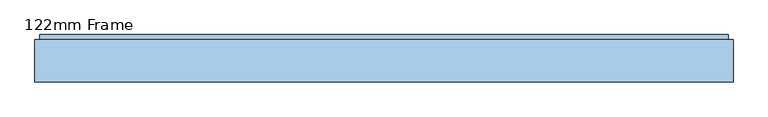
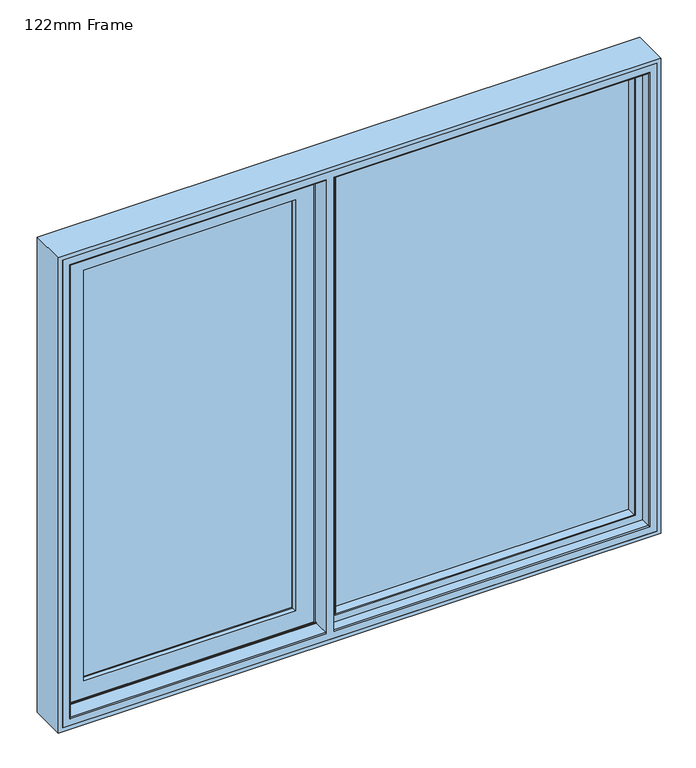
"""IFC4 building model written with IfcOpenShell, lengths in millimetres: window geometry, 122mm Frame."""

from ifc_helpers import new_model, si_unit, frame, origin, place, context, project, spatial, polyline, circle_curve, ellipse_curve, outline, extrude, faceted_brep, source, transform, mapped, element, save
from ifc_brep_helpers import plane_surface, cylinder_surface, advanced_brep


def window_122mm_frame_94d16fe1(model_context):
    return source(origin(), model_context, "Body", "SolidModel", [
        extrude(outline(polyline([(-809.6, 141.0), (-154.0, 141.0), (-154.0, 93.0), (-809.6, 93.0), (-809.6, 141.0)])), frame((0.0, 0.0, 890.0), z_axis=(0.0, 0.0, 1.0), x_axis=(1.0, 0.0, 0.0)), (0.0, 0.0, 1.0), 1319.6),
        faceted_brep([(-131.6001533, 153.0, 2232.3998467), (-131.6001533, 148.4070391, 2232.3998467), (-131.6001533, 148.4070391, 867.6001533), (-131.6001533, 153.0, 867.6001533), (-126.3260611, 139.5531262, 2237.6739389), (-126.3260611, 139.5531262, 862.3260611), (-832.3998467, 148.4070391, 867.6001533), (-832.3998467, 153.0, 867.6001533), (-832.3998467, 153.0, 2232.3998467), (-164.7433832, 153.0, 2199.2566168), (-799.2566168, 153.0, 2199.2566168), (-799.2566168, 153.0, 900.7433832), (-164.7433832, 153.0, 900.7433832), (-124.4866045, 139.5531262, 860.4866045), (-839.5133955, 139.5531262, 860.4866045), (-839.5133955, 139.5531262, 2239.5133955), (-124.4866045, 139.5531262, 2239.5133955), (-837.6739389, 139.5531262, 2237.6739389), (-837.6739389, 139.5531262, 862.3260611), (-124.4866045, 121.0, 2239.5133955), (-124.4866045, 121.0, 860.4866045), (-114.4866045, 121.0, 850.4866045), (-849.5133955, 121.0, 850.4866045), (-849.5133955, 121.0, 2249.5133955), (-114.4866045, 121.0, 2249.5133955), (-839.5133955, 121.0, 2239.5133955), (-839.5133955, 121.0, 860.4866045), (-114.4866045, 88.5, 2249.5133955), (-114.4866045, 88.5, 850.4866045), (-103.7023001, 88.5, 839.7023), (-860.2977, 88.5, 839.7023), (-860.2977, 88.5, 2260.2977), (-103.7023001, 88.5, 2260.2977), (-849.5133955, 88.5, 2249.5133955), (-849.5133955, 88.5, 850.4866045), (-103.7023001, 83.5, 2260.2977), (-103.7023001, 83.5, 839.7023), (-860.2977, 83.5, 2260.2977), (-860.2977, 83.5, 839.7023), (-110.5, 83.5, 846.5), (-853.5, 83.5, 846.5), (-853.5, 83.5, 2253.5), (-110.5, 83.5, 2253.5), (-110.5, 78.0, 2253.5), (-110.5, 78.0, 846.5), (-853.5, 78.0, 2253.5), (-853.5, 78.0, 846.5), (-165.6842184, 78.0, 901.6842184), (-798.3157816, 78.0, 901.6842184), (-798.3157816, 78.0, 2198.3157816), (-165.6842184, 78.0, 2198.3157816), (-167.9996933, 88.8934531, 2196.0003067), (-167.9996933, 88.8934531, 903.9996933), (-167.9996933, 93.0, 2196.0003067), (-167.9996933, 93.0, 903.9996933), (-796.0003067, 88.8934531, 903.9996933), (-154.0, 93.0, 890.0), (-810.0, 93.0, 890.0), (-810.0, 93.0, 2210.0), (-154.0, 93.0, 2210.0), (-796.0003067, 93.0, 2196.0003067), (-796.0003067, 93.0, 903.9996933), (-154.0, 141.0, 2210.0), (-154.0, 141.0, 890.0), (-810.0, 141.0, 2210.0), (-810.0, 141.0, 890.0), (-168.4121514, 141.0, 904.4121514), (-795.5878486, 141.0, 904.4121514), (-795.5878486, 141.0, 2195.5878486), (-168.4121514, 141.0, 2195.5878486), (-832.3998467, 148.4070391, 2232.3998467), (-796.0003067, 88.8934531, 2196.0003067)], [[[0, 1, 2, 3]], [[1, 4, 5, 2]], [[3, 2, 6, 7]], [[3, 7, 8, 0], [9, 10, 11, 12]], [[13, 14, 15, 16], [4, 17, 18, 5]], [[2, 5, 18, 6]], [[16, 19, 20, 13]], [[21, 22, 23, 24], [19, 25, 26, 20]], [[13, 20, 26, 14]], [[24, 27, 28, 21]], [[29, 30, 31, 32], [27, 33, 34, 28]], [[21, 28, 34, 22]], [[32, 35, 36, 29]], [[35, 37, 38, 36], [39, 40, 41, 42]], [[29, 36, 38, 30]], [[42, 43, 44, 39]], [[43, 45, 46, 44], [47, 48, 49, 50]], [[39, 44, 46, 40]], [[50, 51, 52, 47]], [[51, 53, 54, 52]], [[47, 52, 55, 48]], [[56, 57, 58, 59], [53, 60, 61, 54]], [[52, 54, 61, 55]], [[59, 62, 63, 56]], [[62, 64, 65, 63], [66, 67, 68, 69]], [[56, 63, 65, 57]], [[69, 9, 12, 66]], [[66, 12, 11, 67]], [[7, 6, 70, 8]], [[6, 18, 17, 70]], [[14, 26, 25, 15]], [[22, 34, 33, 23]], [[30, 38, 37, 31]], [[40, 46, 45, 41]], [[48, 55, 71, 49]], [[55, 61, 60, 71]], [[57, 65, 64, 58]], [[67, 11, 10, 68]], [[8, 70, 1, 0]], [[70, 17, 4, 1]], [[15, 25, 19, 16]], [[23, 33, 27, 24]], [[31, 37, 35, 32]], [[41, 45, 43, 42]], [[49, 71, 51, 50]], [[71, 60, 53, 51]], [[58, 64, 62, 59]], [[68, 10, 9, 69]]]),
        extrude(outline(polyline([(-63.8, 141.0), (852.6, 141.0), (852.6, 93.0), (-63.8, 93.0), (-63.8, 141.0)])), frame((0.0, 0.0, 847.4), z_axis=(0.0, 0.0, 1.0), x_axis=(1.0, 0.0, 0.0)), (0.0, 0.0, 1.0), 1405.2),
        advanced_brep(
        [(840.9078547, 66.2562613, 2240.9078547), (837.8697056, 91.0, 2237.8697056), (837.8697056, 91.0, 862.1302944), (840.9078547, 66.2562613, 859.0921453), (861.5, 91.0, 838.5), (-73.5, 91.0, 838.5), (-73.5, 91.0, 2261.5), (861.5, 91.0, 2261.5), (-49.8697056, 91.0, 2237.8697056), (-49.8697056, 91.0, 862.1302944), (-52.9078547, 66.2562613, 859.0921453), (842.892947, 64.5, 2242.892947), (842.892947, 64.5, 857.107053), (861.5, 82.0, 2261.5), (861.5, 82.0, 838.5), (864.0, 82.0, 836.0), (-76.0, 82.0, 836.0), (-76.0, 82.0, 2264.0), (864.0, 82.0, 2264.0), (-73.5, 82.0, 2261.5), (-73.5, 82.0, 838.5), (864.0, 64.5, 2264.0), (864.0, 64.5, 836.0), (-76.0, 64.5, 2264.0), (-76.0, 64.5, 836.0), (-54.892947, 64.5, 857.107053), (-54.892947, 64.5, 2242.892947), (-52.9078547, 66.2562613, 2240.9078547)],
        [
            (0, 1),
            (1, 2),
            (2, 3),
            (3, 0),
            (4, 5),
            (5, 6),
            (6, 7),
            (7, 4),
            (1, 8),
            (8, 9),
            (9, 2),
            (9, 10),
            (10, 3),
            (11, 0, ellipse_curve(frame((842.892947, 66.5, 2242.892947), z_axis=(0.7071067811865474, 0.0, -0.7071067811865476), x_axis=(0.7071067811865475, 0.0, 0.7071067811865475)), 2.8284271, 2.0)),
            (3, 12, ellipse_curve(frame((842.892947, 66.5, 857.107053), z_axis=(0.7071067811865476, 0.0, 0.7071067811865475), x_axis=(-0.7071067811865475, 0.0, 0.7071067811865476)), 2.8284271, 2.0)),
            (12, 11),
            (7, 13),
            (13, 14),
            (14, 4),
            (15, 16),
            (16, 17),
            (17, 18),
            (18, 15),
            (13, 19),
            (19, 20),
            (20, 14),
            (20, 5),
            (18, 21),
            (21, 22),
            (22, 15),
            (21, 23),
            (23, 24),
            (24, 22),
            (12, 25),
            (25, 26),
            (26, 11),
            (24, 16),
            (10, 25, ellipse_curve(frame((-54.892947, 66.5, 857.107053), z_axis=(0.7071067811865475, 0.0, -0.7071067811865476), x_axis=(0.7071067811865476, 0.0, 0.7071067811865475)), 2.8284271, 2.0)),
            (8, 27),
            (27, 10),
            (19, 6),
            (23, 17),
            (27, 26, ellipse_curve(frame((-54.892947, 66.5, 2242.892947), z_axis=(-0.7071067811865476, 0.0, -0.7071067811865474), x_axis=(0.7071067811865474, 0.0, -0.7071067811865476)), 2.8284271, 2.0)),
            (0, 27),
        ],
        [
            plane_surface(frame((837.8697056, 91.0, 2237.8697056), z_axis=(-0.9925461516413222, -0.12186934340514619, 0.0), x_axis=(0.0, 0.0, -1.0))),
            plane_surface(frame((-73.5, 91.0, 2261.5), z_axis=(0.0, 1.0, 0.0), x_axis=(1.0, 0.0, 0.0))),
            plane_surface(frame((837.8697056, 91.0, 862.1302944), z_axis=(0.0, -0.12186934340514619, 0.9925461516413222), x_axis=(-1.0, 0.0, 0.0))),
            cylinder_surface(frame((842.892947, 66.5, 2237.6), z_axis=(0.0, 0.0, 1.0), x_axis=(0.0, 1.0, 0.0)), 2.0),
            plane_surface(frame((861.5, 82.0, 2261.5), z_axis=(1.0, 0.0, 0.0), x_axis=(0.0, 0.0, -1.0))),
            plane_surface(frame((-76.0, 82.0, 2264.0), z_axis=(0.0, 1.0, 0.0), x_axis=(1.0, 0.0, 0.0))),
            plane_surface(frame((861.5, 82.0, 838.5), z_axis=(0.0, 0.0, -1.0), x_axis=(-1.0, 0.0, 0.0))),
            plane_surface(frame((864.0, 64.5, 2264.0), z_axis=(1.0, 0.0, 0.0), x_axis=(0.0, 0.0, -1.0))),
            plane_surface(frame((-54.892947, 64.5, 2242.892947), z_axis=(0.0, -1.0, 0.0), x_axis=(1.0, 0.0, 0.0))),
            plane_surface(frame((864.0, 64.5, 836.0), z_axis=(0.0, 0.0, -1.0), x_axis=(-1.0, 0.0, 0.0))),
            cylinder_surface(frame((837.6, 66.5, 857.107053), z_axis=(1.0, 0.0, 0.0), x_axis=(0.0, 1.0, 0.0)), 2.0),
            plane_surface(frame((-49.8697056, 91.0, 862.1302944), z_axis=(0.9925461516413222, -0.12186934340514619, 0.0), x_axis=(0.0, 0.0, 1.0))),
            plane_surface(frame((-73.5, 82.0, 838.5), z_axis=(-1.0, 0.0, 0.0), x_axis=(0.0, 0.0, 1.0))),
            plane_surface(frame((-76.0, 64.5, 836.0), z_axis=(-1.0, 0.0, 0.0), x_axis=(0.0, 0.0, 1.0))),
            cylinder_surface(frame((-54.892947, 66.5, 862.4), z_axis=(0.0, 0.0, -1.0), x_axis=(0.0, 1.0, 0.0)), 2.0),
            plane_surface(frame((-49.8697056, 91.0, 2237.8697056), z_axis=(0.0, -0.12186934340514619, -0.9925461516413222), x_axis=(1.0, 0.0, 0.0))),
            plane_surface(frame((-73.5, 82.0, 2261.5), z_axis=(0.0, 0.0, 1.0), x_axis=(1.0, 0.0, 0.0))),
            plane_surface(frame((-76.0, 64.5, 2264.0), z_axis=(0.0, 0.0, 1.0), x_axis=(1.0, 0.0, 0.0))),
            cylinder_surface(frame((-49.6, 66.5, 2242.892947), z_axis=(-1.0, 0.0, 0.0), x_axis=(0.0, 1.0, 0.0)), 2.0),
        ],
        [
            (0, [[1, 2, 3, 4]]),
            (1, [[5, 6, 7, 8], [9, 10, 11, -2]]),
            (2, [[-3, -11, 12, 13]]),
            (3, [[14, -4, 15, 16]]),
            (4, [[17, 18, 19, -8]]),
            (5, [[20, 21, 22, 23], [24, 25, 26, -18]]),
            (6, [[-19, -26, 27, -5]]),
            (7, [[28, 29, 30, -23]]),
            (8, [[31, 32, 33, -29], [34, 35, 36, -16]]),
            (9, [[-30, -33, 37, -20]]),
            (10, [[-15, -13, 38, -34]]),
            (11, [[-12, -10, 39, 40]]),
            (12, [[-27, -25, 41, -6]]),
            (13, [[-37, -32, 42, -21]]),
            (14, [[-38, -40, 43, -35]]),
            (15, [[-39, -9, -1, 44]]),
            (16, [[-41, -24, -17, -7]]),
            (17, [[-42, -31, -28, -22]]),
            (18, [[-43, -44, -14, -36]]),
        ],
    ),
        advanced_brep(
        [(-864.0, 83.0, 2264.0), (-864.0, 35.0, 2264.0), (-864.0, 35.0, 836.0), (-864.0, 83.0, 836.0), (-867.0, 32.0, 2267.0), (-867.0, 32.0, 833.0), (-100.0, 35.0, 836.0), (-100.0, 83.0, 836.0), (864.0, 35.0, 836.0), (864.0, 83.0, 836.0), (-76.0, 83.0, 836.0), (-76.0, 35.0, 836.0), (-100.0, 83.0, 838.0), (-862.0, 83.0, 838.0), (-862.0, 83.0, 2262.0), (-100.0, 83.0, 2262.0), (-100.0, 83.0, 2264.0), (864.0, 83.0, 2264.0), (-76.0, 83.0, 2264.0), (-76.0, 83.0, 2262.0), (862.0, 83.0, 2262.0), (862.0, 83.0, 838.0), (-76.0, 83.0, 838.0), (-862.0, 91.0, 2262.0), (-862.0, 91.0, 838.0), (862.0, 91.0, 838.0), (-76.0, 91.0, 838.0), (-100.0, 91.0, 838.0), (-100.0, 91.0, 2262.0), (-855.7805994, 91.0, 2255.7805994), (-108.2, 91.0, 2255.7805994), (-108.2, 91.0, 844.2194006), (-855.7805994, 91.0, 844.2194006), (862.0, 91.0, 2262.0), (-76.0, 91.0, 2262.0), (855.7805994, 91.0, 844.2194006), (-67.8, 91.0, 844.2194006), (-67.8, 91.0, 2255.7805994), (855.7805994, 91.0, 2255.7805994), (-838.0131086, 143.3877115, 2238.0131086), (-838.0131086, 142.0, 2238.0131086), (-838.0131086, 142.0, 861.9868914), (-838.0131086, 143.3877115, 861.9868914), (-862.2226568, 142.0, 2262.2226568), (-862.2226568, 142.0, 837.7773432), (-101.9379874, 142.0, 837.7773432), (-101.9379874, 142.0, 2262.2226568), (-126.4111574, 142.0, 2238.0131086), (-126.4111574, 142.0, 861.9868914), (862.2226568, 142.0, 837.7773432), (862.2226568, 142.0, 2262.2226568), (-74.0620126, 142.0, 2262.2226568), (-74.0620126, 142.0, 837.7773432), (838.0131086, 142.0, 2238.0131086), (838.0131086, 142.0, 861.9868914), (-49.5888426, 142.0, 861.9868914), (-49.5888426, 142.0, 2238.0131086), (-125.9868914, 143.3877115, 861.9868914), (838.0131086, 143.3877115, 861.9868914), (-50.0131086, 143.3877115, 861.9868914), (-841.2576108, 154.0, 858.7423892), (-841.2576108, 154.0, 2241.2576108), (-122.7423892, 154.0, 858.7423892), (841.2576108, 154.0, 858.7423892), (-53.2576108, 154.0, 858.7423892), (888.0, 154.0, 812.0), (-888.0, 154.0, 812.0), (-888.0, 154.0, 2288.0), (888.0, 154.0, 2288.0), (-122.7423892, 154.0, 2241.2576108), (841.2576108, 154.0, 2241.2576108), (-53.2576108, 154.0, 2241.2576108), (-888.0, 90.5, 2288.0), (-888.0, 90.5, 812.0), (888.0, 90.5, 812.0), (-76.0, 90.5, 812.0), (-76.0, 86.5, 812.0), (888.0, 86.5, 812.0), (888.0, 32.0, 812.0), (-888.0, 32.0, 812.0), (-888.0, 86.5, 812.0), (-100.0, 86.5, 812.0), (-100.0, 90.5, 812.0), (-100.0, 90.5, 819.0), (-881.0, 90.5, 819.0), (-881.0, 90.5, 2281.0), (-100.0, 90.5, 2281.0), (-100.0, 90.5, 2288.0), (888.0, 90.5, 2288.0), (-76.0, 90.5, 2288.0), (-76.0, 90.5, 2281.0), (881.0, 90.5, 2281.0), (881.0, 90.5, 819.0), (-76.0, 90.5, 819.0), (-100.0, 32.0, 833.0), (867.0, 32.0, 833.0), (-76.0, 32.0, 833.0), (-100.0, 86.5, 819.0), (-100.0, 32.0, 2267.0), (-100.0, 35.0, 2264.0), (-100.0, 86.5, 2288.0), (-100.0, 86.5, 2281.0), (864.0, 35.0, 2264.0), (-76.0, 86.5, 819.0), (-76.0, 32.0, 2267.0), (-76.0, 35.0, 2264.0), (-76.0, 86.5, 2288.0), (-76.0, 86.5, 2281.0), (-125.9868914, 143.3877115, 2238.0131086), (838.0131086, 143.3877115, 2238.0131086), (-50.0131086, 143.3877115, 2238.0131086), (-881.0, 86.5, 2281.0), (-881.0, 86.5, 819.0), (-888.0, 86.5, 2288.0), (881.0, 86.5, 819.0), (881.0, 86.5, 2281.0), (888.0, 86.5, 2288.0), (888.0, 32.0, 2288.0), (-888.0, 32.0, 2288.0), (867.0, 32.0, 2267.0)],
        [
            (0, 1),
            (1, 2),
            (2, 3),
            (3, 0),
            (1, 4, ellipse_curve(frame((-867.0, 35.0, 2267.0), z_axis=(-0.7071067811865475, 0.0, -0.7071067811865475), x_axis=(-0.7071067811865474, 0.0, 0.7071067811865476)), 4.2426407, 3.0)),
            (4, 5),
            (5, 2, ellipse_curve(frame((-867.0, 35.0, 833.0), z_axis=(-0.7071067811865475, 0.0, 0.7071067811865475), x_axis=(0.7071067811865474, 0.0, 0.7071067811865476)), 4.2426407, 3.0)),
            (2, 6),
            (6, 7),
            (7, 3),
            (8, 9),
            (9, 10),
            (10, 11),
            (11, 8),
            (7, 12),
            (12, 13),
            (13, 14),
            (14, 15),
            (15, 16),
            (16, 0),
            (9, 17),
            (17, 18),
            (18, 19),
            (19, 20),
            (20, 21),
            (21, 22),
            (22, 10),
            (23, 14),
            (13, 24),
            (24, 23),
            (21, 25),
            (25, 26),
            (26, 22),
            (27, 24),
            (12, 27),
            (27, 28),
            (28, 23),
            (29, 30),
            (30, 31),
            (31, 32),
            (32, 29),
            (25, 33),
            (33, 34),
            (34, 26),
            (35, 36),
            (36, 37),
            (37, 38),
            (38, 35),
            (39, 40),
            (40, 41),
            (41, 42),
            (42, 39),
            (43, 44),
            (44, 45),
            (45, 46),
            (46, 43),
            (40, 47),
            (47, 48),
            (48, 41),
            (49, 50),
            (50, 51),
            (51, 52),
            (52, 49),
            (53, 54),
            (54, 55),
            (55, 56),
            (56, 53),
            (48, 57),
            (57, 42),
            (54, 58),
            (58, 59),
            (59, 55),
            (42, 60),
            (60, 61),
            (61, 39),
            (57, 62),
            (62, 60),
            (58, 63),
            (63, 64),
            (64, 59),
            (65, 66),
            (66, 67),
            (67, 68),
            (68, 65),
            (62, 69),
            (69, 61),
            (70, 71),
            (71, 64),
            (63, 70),
            (72, 67),
            (66, 73),
            (73, 72),
            (65, 74),
            (74, 75),
            (75, 76),
            (76, 77),
            (77, 78),
            (78, 79),
            (79, 80),
            (80, 81),
            (81, 82),
            (82, 73),
            (82, 83),
            (83, 84),
            (84, 85),
            (85, 86),
            (86, 87),
            (87, 72),
            (74, 88),
            (88, 89),
            (89, 90),
            (90, 91),
            (91, 92),
            (92, 93),
            (93, 75),
            (5, 94),
            (94, 6, circle_curve(frame((-100.0, 35.0, 833.0), z_axis=(-1.0, 0.0, 0.0), x_axis=(0.0, 1.0, 0.0)), 3.0)),
            (95, 8, ellipse_curve(frame((867.0, 35.0, 833.0), z_axis=(-0.7071067811865475, 0.0, -0.7071067811865475), x_axis=(-0.7071067811865476, 0.0, 0.7071067811865474)), 4.2426407, 3.0)),
            (11, 96, circle_curve(frame((-76.0, 35.0, 833.0), z_axis=(1.0, 0.0, 0.0), x_axis=(0.0, 1.0, 0.0)), 3.0)),
            (96, 95),
            (81, 97),
            (97, 83),
            (94, 98),
            (98, 99, circle_curve(frame((-100.0, 35.0, 2267.0), z_axis=(1.0, 0.0, 0.0), x_axis=(0.0, 1.0, 0.0)), 3.0)),
            (99, 16),
            (15, 28),
            (100, 87),
            (86, 101),
            (101, 100),
            (8, 102),
            (102, 17),
            (93, 103),
            (103, 76),
            (104, 96),
            (34, 19),
            (18, 105),
            (105, 104, circle_curve(frame((-76.0, 35.0, 2267.0), z_axis=(-1.0, 0.0, 0.0), x_axis=(0.0, 1.0, 0.0)), 3.0)),
            (89, 106),
            (106, 107),
            (107, 90),
            (20, 33),
            (47, 108),
            (108, 69),
            (53, 109),
            (109, 58),
            (71, 110),
            (110, 56),
            (109, 70),
            (68, 88),
            (111, 112),
            (112, 97),
            (80, 113),
            (113, 100),
            (101, 111),
            (114, 115),
            (115, 107),
            (106, 116),
            (116, 77),
            (103, 114),
            (117, 78),
            (116, 117),
            (117, 118),
            (118, 79),
            (4, 98),
            (104, 119),
            (119, 95),
            (118, 113),
            (119, 102, ellipse_curve(frame((867.0, 35.0, 2267.0), z_axis=(0.7071067811865475, 0.0, -0.7071067811865475), x_axis=(-0.7071067811865474, 0.0, -0.7071067811865476)), 4.2426407, 3.0)),
            (49, 35),
            (38, 50),
            (51, 37),
            (36, 52),
            (44, 32),
            (31, 45),
            (43, 29),
            (30, 46),
            (111, 85),
            (84, 112),
            (92, 114),
            (91, 115),
            (99, 1),
            (102, 105),
            (39, 108),
            (110, 109),
        ],
        [
            plane_surface(frame((-864.0, 35.0, 2264.0), z_axis=(1.0, 0.0, 0.0), x_axis=(0.0, 0.0, -1.0))),
            cylinder_surface(frame((-867.0, 35.0, 2288.0), z_axis=(0.0, 0.0, 1.0), x_axis=(0.0, 1.0, 0.0)), 3.0),
            plane_surface(frame((-864.0, 35.0, 836.0), z_axis=(0.0, 0.0, 1.0), x_axis=(1.0, 0.0, 0.0))),
            plane_surface(frame((864.0, 83.0, 2264.0), z_axis=(0.0, -1.0, 0.0), x_axis=(-1.0, 0.0, 0.0))),
            plane_surface(frame((-862.0, 83.0, 2262.0), z_axis=(1.0, 0.0, 0.0), x_axis=(0.0, 0.0, -1.0))),
            plane_surface(frame((-862.0, 83.0, 838.0), z_axis=(0.0, 0.0, 1.0), x_axis=(1.0, 0.0, 0.0))),
            plane_surface(frame((862.0, 91.0, 2262.0), z_axis=(0.0, -1.0, 0.0), x_axis=(-1.0, 0.0, 0.0))),
            plane_surface(frame((-838.0131086, 142.0, 2238.0131086), z_axis=(1.0, 0.0, 0.0), x_axis=(0.0, 0.0, -1.0))),
            plane_surface(frame((862.2226568, 142.0, 2262.2226568), z_axis=(0.0, -1.0, 0.0), x_axis=(-1.0, 0.0, 0.0))),
            plane_surface(frame((-838.0131086, 142.0, 861.9868914), z_axis=(0.0, 0.0, 1.0), x_axis=(1.0, 0.0, 0.0))),
            plane_surface(frame((-838.0131086, 143.3877115, 2238.0131086), z_axis=(0.9563047559629367, 0.29237170472305973, 0.0), x_axis=(0.0, 0.0, -1.0))),
            plane_surface(frame((-838.0131086, 143.3877115, 861.9868914), z_axis=(0.0, 0.29237170472305973, 0.9563047559629367), x_axis=(1.0, 0.0, 0.0))),
            plane_surface(frame((841.2576108, 154.0, 2241.2576108), z_axis=(0.0, 1.0, 0.0), x_axis=(-1.0, 0.0, 0.0))),
            plane_surface(frame((-888.0, 154.0, 2288.0), z_axis=(-1.0, 0.0, 0.0), x_axis=(0.0, 0.0, -1.0))),
            plane_surface(frame((-888.0, 154.0, 812.0), z_axis=(0.0, 0.0, -1.0), x_axis=(1.0, 0.0, 0.0))),
            plane_surface(frame((888.0, 90.5, 2288.0), z_axis=(0.0, -1.0, 0.0), x_axis=(-1.0, 0.0, 0.0))),
            cylinder_surface(frame((-888.0, 35.0, 833.0), z_axis=(-1.0, 0.0, 0.0), x_axis=(0.0, 1.0, 0.0)), 3.0),
            plane_surface(frame((-100.0, 91.0, 2288.0), z_axis=(-1.0, 0.0, 0.0), x_axis=(0.0, 0.0, -1.0))),
            plane_surface(frame((864.0, 35.0, 836.0), z_axis=(-1.0, 0.0, 0.0), x_axis=(0.0, 0.0, 1.0))),
            plane_surface(frame((-76.0, 32.0, 2288.0), z_axis=(1.0, 0.0, 0.0), x_axis=(0.0, 0.0, -1.0))),
            plane_surface(frame((862.0, 83.0, 838.0), z_axis=(-1.0, 0.0, 0.0), x_axis=(0.0, 0.0, 1.0))),
            plane_surface(frame((-122.7423892, 154.0, 2288.0), z_axis=(-0.956304755963141, 0.29237170472239193, 0.0), x_axis=(0.0, 0.0, -1.0))),
            plane_surface(frame((838.0131086, 142.0, 861.9868914), z_axis=(-1.0, 0.0, 0.0), x_axis=(0.0, 0.0, 1.0))),
            plane_surface(frame((-49.5888426, 142.0, 2288.0), z_axis=(0.9563047559631352, 0.2923717047224106, 0.0), x_axis=(0.0, 0.0, -1.0))),
            plane_surface(frame((838.0131086, 143.3877115, 861.9868914), z_axis=(-0.9563047559629367, 0.29237170472305973, 0.0), x_axis=(0.0, 0.0, 1.0))),
            plane_surface(frame((888.0, 154.0, 812.0), z_axis=(1.0, 0.0, 0.0), x_axis=(0.0, 0.0, 1.0))),
            plane_surface(frame((881.0, 86.5, 2281.0), z_axis=(0.0, 1.0, 0.0), x_axis=(-1.0, 0.0, 0.0))),
            plane_surface(frame((888.0, 86.5, 812.0), z_axis=(1.0, 0.0, 0.0), x_axis=(0.0, 0.0, 1.0))),
            plane_surface(frame((888.0, 32.0, 2288.0), z_axis=(0.0, -1.0, 0.0), x_axis=(-1.0, 0.0, 0.0))),
            plane_surface(frame((-888.0, 86.5, 2288.0), z_axis=(-1.0, 0.0, 0.0), x_axis=(0.0, 0.0, -1.0))),
            cylinder_surface(frame((867.0, 35.0, 812.0), z_axis=(0.0, 0.0, -1.0), x_axis=(0.0, 1.0, 0.0)), 3.0),
            plane_surface(frame((855.7805994, 91.0, 844.2194006), z_axis=(-0.9921164934933605, 0.12531904619186565, 0.0), x_axis=(0.0, 0.0, 1.0))),
            plane_surface(frame((-67.8, 91.0, 2288.0), z_axis=(0.9925461516413254, 0.1218693434051202, 0.0), x_axis=(0.0, 0.0, -1.0))),
            plane_surface(frame((-855.7805994, 91.0, 844.2194006), z_axis=(0.0, 0.12531904619186565, 0.9921164934933605), x_axis=(1.0, 0.0, 0.0))),
            plane_surface(frame((-855.7805994, 91.0, 2255.7805994), z_axis=(0.9921164934933605, 0.12531904619186565, 0.0), x_axis=(0.0, 0.0, -1.0))),
            plane_surface(frame((-101.9379874, 142.0, 2288.0), z_axis=(-0.9925461516413172, 0.12186934340518718, 0.0), x_axis=(0.0, 0.0, -1.0))),
            plane_surface(frame((-881.0, 90.5, 2281.0), z_axis=(-1.0, 0.0, 0.0), x_axis=(0.0, 0.0, -1.0))),
            plane_surface(frame((-881.0, 90.5, 819.0), z_axis=(0.0, 0.0, -1.0), x_axis=(1.0, 0.0, 0.0))),
            plane_surface(frame((881.0, 90.5, 819.0), z_axis=(1.0, 0.0, 0.0), x_axis=(0.0, 0.0, 1.0))),
            plane_surface(frame((864.0, 35.0, 2264.0), z_axis=(0.0, 0.0, -1.0), x_axis=(-1.0, 0.0, 0.0))),
            plane_surface(frame((862.0, 83.0, 2262.0), z_axis=(0.0, 0.0, -1.0), x_axis=(-1.0, 0.0, 0.0))),
            plane_surface(frame((838.0131086, 142.0, 2238.0131086), z_axis=(0.0, 0.0, -1.0), x_axis=(-1.0, 0.0, 0.0))),
            plane_surface(frame((838.0131086, 143.3877115, 2238.0131086), z_axis=(0.0, 0.29237170472305973, -0.9563047559629367), x_axis=(-1.0, 0.0, 0.0))),
            plane_surface(frame((888.0, 154.0, 2288.0), z_axis=(0.0, 0.0, 1.0), x_axis=(-1.0, 0.0, 0.0))),
            cylinder_surface(frame((888.0, 35.0, 2267.0), z_axis=(1.0, 0.0, 0.0), x_axis=(0.0, 1.0, 0.0)), 3.0),
            plane_surface(frame((881.0, 90.5, 2281.0), z_axis=(0.0, 0.0, 1.0), x_axis=(-1.0, 0.0, 0.0))),
            plane_surface(frame((855.7805994, 91.0, 2255.7805994), z_axis=(0.0, 0.12531904619186565, -0.9921164934933605), x_axis=(-1.0, 0.0, 0.0))),
        ],
        [
            (0, [[1, 2, 3, 4]]),
            (1, [[-2, 5, 6, 7]]),
            (2, [[-3, 8, 9, 10]]),
            (2, [[11, 12, 13, 14]]),
            (3, [[-4, -10, 15, 16, 17, 18, 19, 20]]),
            (3, [[21, 22, 23, 24, 25, 26, 27, -12]]),
            (4, [[28, -17, 29, 30]]),
            (5, [[31, 32, 33, -26]]),
            (5, [[34, -29, -16, 35]]),
            (6, [[-30, -34, 36, 37], [38, 39, 40, 41]]),
            (6, [[42, 43, 44, -32], [45, 46, 47, 48]]),
            (7, [[49, 50, 51, 52]]),
            (8, [[53, 54, 55, 56], [-50, 57, 58, 59]]),
            (8, [[60, 61, 62, 63], [64, 65, 66, 67]]),
            (9, [[-51, -59, 68, 69]]),
            (9, [[70, 71, 72, -65]]),
            (10, [[-52, 73, 74, 75]]),
            (11, [[-73, -69, 76, 77]]),
            (11, [[78, 79, 80, -71]]),
            (12, [[81, 82, 83, 84], [-74, -77, 85, 86], [87, 88, -79, 89]]),
            (13, [[90, -82, 91, 92]]),
            (14, [[-91, -81, 93, 94, 95, 96, 97, 98, 99, 100, 101, 102]]),
            (15, [[-92, -102, 103, 104, 105, 106, 107, 108]]),
            (15, [[109, 110, 111, 112, 113, 114, 115, -94]]),
            (16, [[-7, 116, 117, -8]]),
            (16, [[118, -14, 119, 120]]),
            (17, [[-101, 121, 122, -103]]),
            (17, [[123, 124, 125, -19, 126, -36, -35, -15, -9, -117]]),
            (17, [[127, -107, 128, 129]]),
            (18, [[-11, 130, 131, -21]]),
            (19, [[-95, -115, 132, 133]]),
            (19, [[134, -119, -13, -27, -33, -44, 135, -23, 136, 137]]),
            (19, [[138, 139, 140, -111]]),
            (20, [[-31, -25, 141, -42]]),
            (21, [[-58, 142, 143, -85, -76, -68]]),
            (22, [[-70, -64, 144, 145]]),
            (23, [[-66, -72, -80, -88, 146, 147]]),
            (24, [[-78, -145, 148, -89]]),
            (25, [[-93, -84, 149, -109]]),
            (26, [[150, 151, -121, -100, 152, 153, -129, 154]]),
            (26, [[155, 156, -139, 157, 158, -96, -133, 159]]),
            (27, [[160, -97, -158, 161]]),
            (28, [[-98, -160, 162, 163], [-6, 164, -123, -116], [-120, -134, 165, 166]]),
            (29, [[-163, 167, -152, -99]]),
            (30, [[-130, -118, -166, 168]]),
            (31, [[-60, 169, -48, 170]]),
            (32, [[-62, 171, -46, 172]]),
            (33, [[-54, 173, -40, 174]]),
            (33, [[-169, -63, -172, -45]]),
            (34, [[-53, 175, -41, -173]]),
            (35, [[-55, -174, -39, 176]]),
            (36, [[177, -105, 178, -150]]),
            (37, [[-178, -104, -122, -151]]),
            (37, [[179, -159, -132, -114]]),
            (38, [[-179, -113, 180, -155]]),
            (39, [[-1, -20, -125, 181]]),
            (39, [[-131, 182, -136, -22]]),
            (40, [[-28, -37, -126, -18]]),
            (40, [[-43, -141, -24, -135]]),
            (41, [[-49, 183, -142, -57]]),
            (41, [[-144, -67, -147, 184]]),
            (42, [[-75, -86, -143, -183]]),
            (42, [[-148, -184, -146, -87]]),
            (43, [[-83, -90, -108, -127, -153, -167, -162, -161, -157, -138, -110, -149]]),
            (44, [[-5, -181, -124, -164]]),
            (44, [[-168, -165, -137, -182]]),
            (45, [[-177, -154, -128, -106]]),
            (45, [[-180, -112, -140, -156]]),
            (46, [[-61, -170, -47, -171]]),
            (46, [[-175, -56, -176, -38]]),
        ],
    ),
        extrude(outline(polyline([(2300.0, -900.0), (800.0, -900.0), (800.0, 900.0), (2300.0, 900.0), (2300.0, -900.0)]), holes=[polyline([(2288.0, 888.0), (812.0, 888.0), (812.0, -888.0), (2288.0, -888.0), (2288.0, 888.0)])]), frame((0.0, 32.0, 0.0), z_axis=(0.0, 1.0, 0.0), x_axis=(0.0, 0.0, 1.0)), (0.0, 0.0, 1.0), 109.0),
    ])


if __name__ == "__main__":
    model = new_model("IFC4")
    model_context = context("Model", 3, world=origin())
    ifc_project = project(units=[si_unit("LENGTHUNIT", "METRE", prefix="MILLI")], contexts=[model_context])
    site = spatial("IfcSite", under=ifc_project)
    building = spatial("IfcBuilding", under=site)
    placement = place(None, origin())
    window_122mm_frame_shape = window_122mm_frame_94d16fe1(model_context)
    element("IfcWindow", 1, ObjectType="122mm Frame", at=placement, inside=building, context=model_context, shape_type="MappedRepresentation", body=[
        mapped(window_122mm_frame_shape, transform((0.0, 0.0, 0.0), x_axis=(1.0, 0.0, 0.0), y_axis=(0.0, 1.0, 0.0), z_axis=(0.0, 0.0, 1.0))),
    ])
    save(model, "model.ifc")
